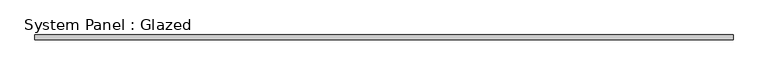
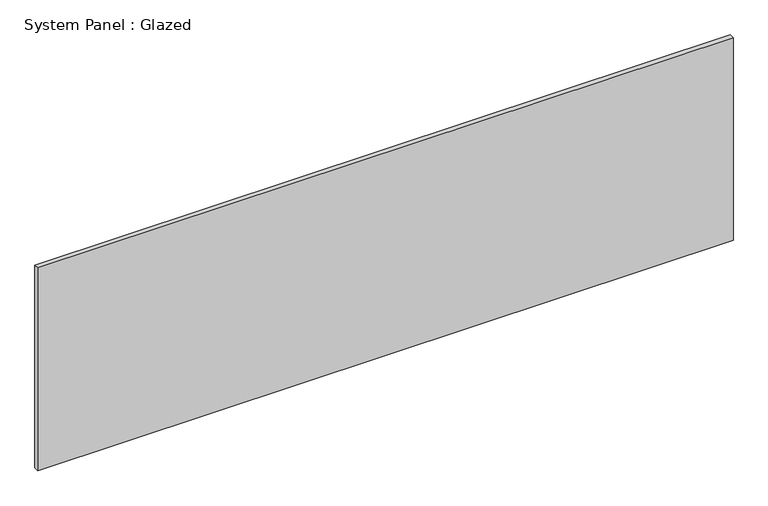
"""IFC4 building model written with IfcOpenShell, lengths in millimetres: plate geometry, System Panel : Glazed."""

from ifc_helpers import new_model, si_unit, origin, origin_with_axes, place, context, project, spatial, polyline, outline, extrude, source, transform, mapped, element, save


def system_panel_glazed_c43f36b6(model_context):
    return source(origin(), model_context, "Body", "SweptSolid", [
        extrude(outline(polyline([(1822.6161577, 19.05), (-1822.6161577, 19.05), (-1822.6161577, 44.45), (1822.6161577, 44.45), (1822.6161577, 19.05)])), origin_with_axes(), (0.0, 0.0, 1.0), 1123.95),
    ])


if __name__ == "__main__":
    model = new_model("IFC4")
    model_context = context("Model", 3, world=origin())
    ifc_project = project(units=[si_unit("LENGTHUNIT", "METRE", prefix="MILLI")], contexts=[model_context])
    site = spatial("IfcSite", under=ifc_project)
    building = spatial("IfcBuilding", under=site)
    placement = place(None, origin())
    system_panel_glazed_shape = system_panel_glazed_c43f36b6(model_context)
    element("IfcPlate", 1, ObjectType="System Panel : Glazed", at=placement, inside=building, context=model_context, shape_type="MappedRepresentation", body=[
        mapped(system_panel_glazed_shape, transform((0.0, 0.0, 0.0), x_axis=(1.0, 0.0, 0.0), y_axis=(0.0, 1.0, 0.0), z_axis=(0.0, 0.0, 1.0))),
    ])
    save(model, "model.ifc")
